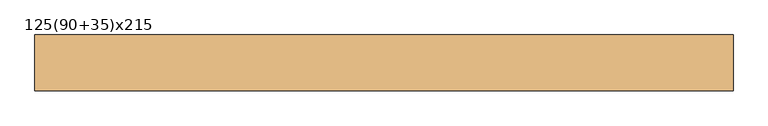
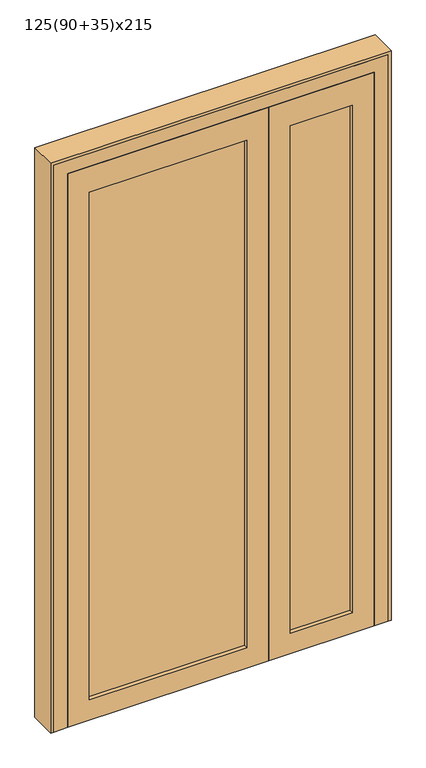
"""IFC4 building model written with IfcOpenShell, lengths in millimetres: door geometry, 125(90+35)x215."""

import ifcopenshell
import ifcopenshell.guid

model = None  # the IFC model being written
_history = None  # IfcOwnerHistory: only IFC2X3 demands one
_inside = {}  # id of a spatial element -> (the spatial element, [elements in it])
_under = {}  # id of a project, library or spatial element -> (it, [spatial elements below it])
_declared = {}  # id of a project -> (the project, [libraries it declares])
_typed = {}  # id of a type object -> (the type object, [elements of that type])
_made_of = {}  # id of a material, layer set ... -> (it, [elements and type objects made of it])


def new_model(schema):
    """Start an empty IFC model of exactly this schema.

    Asked for "IFC4X3", IfcOpenShell would pick the latest addendum, in which some entities
    have other attributes; the version numbers below select the first issue.
    IFC2X3 requires an IfcOwnerHistory on every rooted entity: one is made here for all.
    """
    global model, _history
    if schema == "IFC4X3":
        model = ifcopenshell.file(schema_version=(4, 3, 0, 0))
    else:
        model = ifcopenshell.file(schema=schema)
    _inside.clear()
    _under.clear()
    _declared.clear()
    _typed.clear()
    _made_of.clear()
    _history = None
    if model.schema == "IFC2X3":
        org = make("IfcOrganization", Name="unknown")
        user = make(
            "IfcPersonAndOrganization",
            ThePerson=make("IfcPerson", FamilyName="unknown"),
            TheOrganization=org,
        )
        app = make(
            "IfcApplication",
            ApplicationDeveloper=org,
            Version="unknown",
            ApplicationFullName="unknown",
            ApplicationIdentifier="unknown",
        )
        _history = make(
            "IfcOwnerHistory",
            OwningUser=user,
            OwningApplication=app,
            ChangeAction="ADDED",
            CreationDate=0,
        )
    return model


def make(cls, **values):
    """One entity of the class cls with the attributes given. An attribute that is None is left unset."""
    return model.create_entity(
        cls, **{name: value for name, value in values.items() if value is not None}
    )


def rooted(cls, **values):
    """An entity with a GlobalId (a new one), such as an element, a storey or a relation."""
    return make(cls, GlobalId=ifcopenshell.guid.new(), OwnerHistory=_history, **values)


def si_unit(unit_type, name, prefix=None):
    """IfcSIUnit, for example si_unit("LENGTHUNIT", "METRE", prefix="MILLI")."""
    return make("IfcSIUnit", UnitType=unit_type, Prefix=prefix, Name=name)


def assignment(units):
    """IfcUnitAssignment: the units of a project."""
    return None if units is None else make("IfcUnitAssignment", Units=units)


def point(xyz):
    """IfcCartesianPoint."""
    return None if xyz is None else make("IfcCartesianPoint", Coordinates=xyz)


def direction(xyz):
    """IfcDirection."""
    return None if xyz is None else make("IfcDirection", DirectionRatios=xyz)


def frame(location, z_axis=None, x_axis=None):
    """IfcAxis2Placement3D, a coordinate frame: its origin and axes. An axis left out is left unset."""
    return make(
        "IfcAxis2Placement3D",
        Location=point(location),
        Axis=direction(z_axis),
        RefDirection=direction(x_axis),
    )


def origin():
    """The frame at (0, 0, 0) with its axes left unset."""
    return frame((0.0, 0.0, 0.0))


def place(relative_to, where):
    """IfcLocalPlacement: puts the frame where relative to a parent placement (None: the world)."""
    return make(
        "IfcLocalPlacement", PlacementRelTo=relative_to, RelativePlacement=where
    )


def context(
    kind, dimensions, precision=None, world=None, true_north=None, identifier=None
):
    """IfcGeometricRepresentationContext, for example the 3D "Model" context."""
    return make(
        "IfcGeometricRepresentationContext",
        ContextIdentifier=identifier,
        ContextType=kind,
        CoordinateSpaceDimension=dimensions,
        Precision=precision,
        WorldCoordinateSystem=world,
        TrueNorth=true_north,
    )


def project(units=None, contexts=None):
    """IfcProject with its units and contexts."""
    return rooted(
        "IfcProject",
        Name="project",
        RepresentationContexts=contexts,
        UnitsInContext=assignment(units),
    )


def spatial(cls, under=None, at=None, **own):
    """A site, building, storey or space (cls), placed at a placement, below another one or the project."""
    s = rooted(cls, ObjectPlacement=at, **own)
    if under is not None:
        _under.setdefault(under.id(), (under, []))[1].append(s)
    return s


def polyline(points):
    """IfcPolyline through the points."""
    return make("IfcPolyline", Points=[point(p) for p in points])


def outline(outer, holes=None, kind="AREA"):
    """IfcArbitraryClosedProfileDef: a profile drawn as a closed curve; with holes, ...WithVoids."""
    if holes is None:
        return make("IfcArbitraryClosedProfileDef", ProfileType=kind, OuterCurve=outer)
    return make(
        "IfcArbitraryProfileDefWithVoids",
        ProfileType=kind,
        OuterCurve=outer,
        InnerCurves=holes,
    )


def extrude(swept, where, along, depth):
    """IfcExtrudedAreaSolid: the profile swept, set in the frame where, extruded along a direction by depth."""
    return make(
        "IfcExtrudedAreaSolid",
        SweptArea=swept,
        Position=where,
        ExtrudedDirection=direction(along),
        Depth=depth,
    )


def shape(context_of_items, identifier, shape_type, items):
    """IfcShapeRepresentation: the items that make up one representation, for example the "Body"."""
    return make(
        "IfcShapeRepresentation",
        ContextOfItems=context_of_items,
        RepresentationIdentifier=identifier,
        RepresentationType=shape_type,
        Items=items,
    )


def source(mapping_origin, context_of_items, identifier, shape_type, items):
    """IfcRepresentationMap: a shape defined once, which mapped items show again and again."""
    return make(
        "IfcRepresentationMap",
        MappingOrigin=mapping_origin,
        MappedRepresentation=shape(context_of_items, identifier, shape_type, items),
    )


def transform(
    local_origin,
    x_axis=None,
    y_axis=None,
    z_axis=None,
    scale=None,
    scale2=None,
    scale3=None,
    uniform=True,
):
    """IfcCartesianTransformationOperator3D, or its non-uniform kind. x_axis, y_axis, z_axis: its Axis1, 2, 3."""
    if uniform:
        return make(
            "IfcCartesianTransformationOperator3D",
            Axis1=direction(x_axis),
            Axis2=direction(y_axis),
            LocalOrigin=point(local_origin),
            Scale=scale,
            Axis3=direction(z_axis),
        )
    return make(
        "IfcCartesianTransformationOperator3DnonUniform",
        Axis1=direction(x_axis),
        Axis2=direction(y_axis),
        LocalOrigin=point(local_origin),
        Scale=scale,
        Axis3=direction(z_axis),
        Scale2=scale2,
        Scale3=scale3,
    )


def mapped(mapping_source, mapping_target):
    """IfcMappedItem: shows the shape of a source again, moved by a transform."""
    return make(
        "IfcMappedItem", MappingSource=mapping_source, MappingTarget=mapping_target
    )


def made_of(thing, what):
    """Note that an element or type object is made of a material, layer set ...; save() writes the relation."""
    if what is not None:
        _made_of.setdefault(what.id(), (what, []))[1].append(thing)
    return thing


def element(
    cls,
    number,
    at=None,
    inside=None,
    cuts=None,
    type_object=None,
    material=None,
    context=None,
    identifier="Body",
    shape_type=None,
    held_by="IfcProductDefinitionShape",
    body=None,
    shapes=None,
    **own,
):
    """One element of the class cls, such as IfcWall. Its Tag is "e" and its number.

    at: its placement. inside: the storey or other place that contains it. cuts: it is an
    opening in that element (IfcRelVoidsElement). A single representation is given by context,
    identifier, shape_type and body (its items); several are given by shapes. held_by: the class
    of the entity that holds the representations. save() writes the other relations.
    """
    e = rooted(cls, Tag="e%d" % number, ObjectPlacement=at, **own)
    if body is not None:
        shapes = [shape(context, identifier, shape_type, body)]
    if shapes is not None:
        e.Representation = make(held_by, Representations=shapes)
    if inside is not None:
        _inside.setdefault(inside.id(), (inside, []))[1].append(e)
    if cuts is not None:
        rooted(
            "IfcRelVoidsElement", RelatingBuildingElement=cuts, RelatedOpeningElement=e
        )
    if type_object is not None:
        _typed.setdefault(type_object.id(), (type_object, []))[1].append(e)
    return made_of(e, material)


def aggregate(whole, parts):
    """IfcRelAggregates: a whole, such as a stair, and the parts it consists of."""
    return rooted("IfcRelAggregates", RelatingObject=whole, RelatedObjects=parts)


def save(model, path):
    """Write the relations noted so far, then the file.

    IfcRelAggregates (storeys below a building ...), IfcRelContainedInSpatialStructure (elements
    in a storey), IfcRelDefinesByType, IfcRelAssociatesMaterial and IfcRelDeclares: one each for
    every whole, place, type object, material and project.
    """
    for whole, parts in _under.values():
        aggregate(whole, parts)
    for where, things in _inside.values():
        rooted(
            "IfcRelContainedInSpatialStructure",
            RelatedElements=things,
            RelatingStructure=where,
        )
    for kind, things in _typed.values():
        rooted("IfcRelDefinesByType", RelatedObjects=things, RelatingType=kind)
    for what, things in _made_of.values():
        rooted("IfcRelAssociatesMaterial", RelatedObjects=things, RelatingMaterial=what)
    for by, libraries in _declared.values():
        rooted("IfcRelDeclares", RelatingContext=by, RelatedDefinitions=libraries)
    model.write(path)


def door_125_90_35_x215_71c3ce06(model_context):
    return source(origin(), model_context, "Body", "SweptSolid", [
        extrude(outline(polyline([(95.0, 25.0), (95.0, -35.0), (-483.0, -35.0), (-483.0, 25.0), (95.0, 25.0)])), frame((0.0, 0.0, 80.0), z_axis=(0.0, 0.0, 1.0), x_axis=(1.0, 0.0, 0.0)), (0.0, 0.0, 1.0), 1970.0),
        extrude(outline(polyline([(483.0, 25.0), (483.0, -35.0), (255.0, -35.0), (255.0, 25.0), (483.0, 25.0)])), frame((0.0, 0.0, 80.0), z_axis=(0.0, 0.0, 1.0), x_axis=(1.0, 0.0, 0.0)), (0.0, 0.0, 1.0), 1970.0),
        extrude(outline(polyline([(0.0, 175.0), (2150.0, 175.0), (2150.0, -563.0), (0.0, -563.0), (0.0, 175.0)]), holes=[polyline([(80.0, -483.0), (2050.0, -483.0), (2050.0, 95.0), (80.0, 95.0), (80.0, -483.0)])]), frame((0.0, -50.0, 0.0), z_axis=(0.0, 1.0, 0.0), x_axis=(0.0, 0.0, 1.0)), (0.0, 0.0, 1.0), 90.0),
        extrude(outline(polyline([(2150.0, 563.0), (2150.0, 175.0), (0.0, 175.0), (0.0, 563.0), (2150.0, 563.0)]), holes=[polyline([(2050.0, 483.0), (80.0, 483.0), (80.0, 255.0), (2050.0, 255.0), (2050.0, 483.0)])]), frame((0.0, -50.0, 0.0), z_axis=(0.0, 1.0, 0.0), x_axis=(0.0, 0.0, 1.0)), (0.0, 0.0, 1.0), 90.0),
        extrude(outline(polyline([(2200.0, 613.0), (2200.0, -613.0), (0.0, -613.0), (0.0, -563.0), (2150.0, -563.0), (2150.0, 563.0), (0.0, 563.0), (0.0, 613.0), (2200.0, 613.0)])), frame((0.0, -50.0, 0.0), z_axis=(0.0, 1.0, 0.0), x_axis=(0.0, 0.0, 1.0)), (0.0, 0.0, 1.0), 90.0),
        extrude(outline(polyline([(0.0, 625.0), (2212.0, 625.0), (2212.0, -625.0), (0.0, -625.0), (0.0, -613.0), (2200.0, -613.0), (2200.0, 613.0), (0.0, 613.0), (0.0, 625.0)])), frame((0.0, -50.0, 0.0), z_axis=(0.0, 1.0, 0.0), x_axis=(0.0, 0.0, 1.0)), (0.0, 0.0, 1.0), 100.0),
    ])


if __name__ == "__main__":
    model = new_model("IFC4")
    model_context = context("Model", 3, world=origin())
    ifc_project = project(units=[si_unit("LENGTHUNIT", "METRE", prefix="MILLI")], contexts=[model_context])
    site = spatial("IfcSite", under=ifc_project)
    building = spatial("IfcBuilding", under=site)
    placement = place(None, origin())
    door_125_90_35_x215_shape = door_125_90_35_x215_71c3ce06(model_context)
    element("IfcDoor", 1, ObjectType="125(90+35)x215", at=placement, inside=building, context=model_context, shape_type="MappedRepresentation", body=[
        mapped(door_125_90_35_x215_shape, transform((0.0, 0.0, 0.0), x_axis=(1.0, 0.0, 0.0), y_axis=(0.0, 1.0, 0.0), z_axis=(0.0, 0.0, 1.0))),
    ])
    save(model, "model.ifc")
